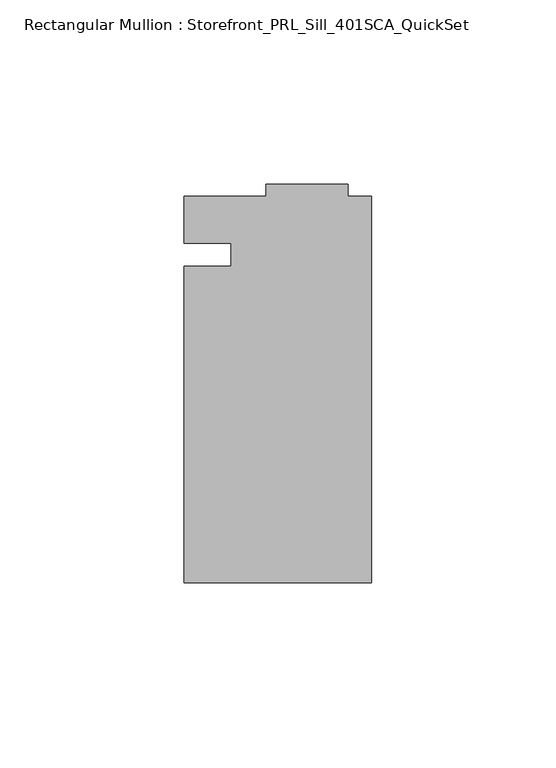
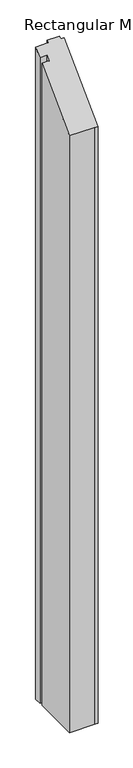
"""IFC4 building model written with IfcOpenShell, lengths in millimetres: member geometry, Rectangular Mullion : Storefront_PRL_Sill_401SCA_QuickSet."""

import ifcopenshell
import ifcopenshell.guid

model = None  # the IFC model being written
_history = None  # IfcOwnerHistory: only IFC2X3 demands one
_inside = {}  # id of a spatial element -> (the spatial element, [elements in it])
_under = {}  # id of a project, library or spatial element -> (it, [spatial elements below it])
_declared = {}  # id of a project -> (the project, [libraries it declares])
_typed = {}  # id of a type object -> (the type object, [elements of that type])
_made_of = {}  # id of a material, layer set ... -> (it, [elements and type objects made of it])


def new_model(schema):
    """Start an empty IFC model of exactly this schema.

    Asked for "IFC4X3", IfcOpenShell would pick the latest addendum, in which some entities
    have other attributes; the version numbers below select the first issue.
    IFC2X3 requires an IfcOwnerHistory on every rooted entity: one is made here for all.
    """
    global model, _history
    if schema == "IFC4X3":
        model = ifcopenshell.file(schema_version=(4, 3, 0, 0))
    else:
        model = ifcopenshell.file(schema=schema)
    _inside.clear()
    _under.clear()
    _declared.clear()
    _typed.clear()
    _made_of.clear()
    _history = None
    if model.schema == "IFC2X3":
        org = make("IfcOrganization", Name="unknown")
        user = make(
            "IfcPersonAndOrganization",
            ThePerson=make("IfcPerson", FamilyName="unknown"),
            TheOrganization=org,
        )
        app = make(
            "IfcApplication",
            ApplicationDeveloper=org,
            Version="unknown",
            ApplicationFullName="unknown",
            ApplicationIdentifier="unknown",
        )
        _history = make(
            "IfcOwnerHistory",
            OwningUser=user,
            OwningApplication=app,
            ChangeAction="ADDED",
            CreationDate=0,
        )
    return model


def make(cls, **values):
    """One entity of the class cls with the attributes given. An attribute that is None is left unset."""
    return model.create_entity(
        cls, **{name: value for name, value in values.items() if value is not None}
    )


def rooted(cls, **values):
    """An entity with a GlobalId (a new one), such as an element, a storey or a relation."""
    return make(cls, GlobalId=ifcopenshell.guid.new(), OwnerHistory=_history, **values)


def si_unit(unit_type, name, prefix=None):
    """IfcSIUnit, for example si_unit("LENGTHUNIT", "METRE", prefix="MILLI")."""
    return make("IfcSIUnit", UnitType=unit_type, Prefix=prefix, Name=name)


def assignment(units):
    """IfcUnitAssignment: the units of a project."""
    return None if units is None else make("IfcUnitAssignment", Units=units)


def point(xyz):
    """IfcCartesianPoint."""
    return None if xyz is None else make("IfcCartesianPoint", Coordinates=xyz)


def direction(xyz):
    """IfcDirection."""
    return None if xyz is None else make("IfcDirection", DirectionRatios=xyz)


def frame(location, z_axis=None, x_axis=None):
    """IfcAxis2Placement3D, a coordinate frame: its origin and axes. An axis left out is left unset."""
    return make(
        "IfcAxis2Placement3D",
        Location=point(location),
        Axis=direction(z_axis),
        RefDirection=direction(x_axis),
    )


def origin():
    """The frame at (0, 0, 0) with its axes left unset."""
    return frame((0.0, 0.0, 0.0))


def place(relative_to, where):
    """IfcLocalPlacement: puts the frame where relative to a parent placement (None: the world)."""
    return make(
        "IfcLocalPlacement", PlacementRelTo=relative_to, RelativePlacement=where
    )


def context(
    kind, dimensions, precision=None, world=None, true_north=None, identifier=None
):
    """IfcGeometricRepresentationContext, for example the 3D "Model" context."""
    return make(
        "IfcGeometricRepresentationContext",
        ContextIdentifier=identifier,
        ContextType=kind,
        CoordinateSpaceDimension=dimensions,
        Precision=precision,
        WorldCoordinateSystem=world,
        TrueNorth=true_north,
    )


def project(units=None, contexts=None):
    """IfcProject with its units and contexts."""
    return rooted(
        "IfcProject",
        Name="project",
        RepresentationContexts=contexts,
        UnitsInContext=assignment(units),
    )


def spatial(cls, under=None, at=None, **own):
    """A site, building, storey or space (cls), placed at a placement, below another one or the project."""
    s = rooted(cls, ObjectPlacement=at, **own)
    if under is not None:
        _under.setdefault(under.id(), (under, []))[1].append(s)
    return s


def faces_of(points, faces, orient=None, outer=None):
    """IfcFace entities. A face is a list of loops; a loop is a list of indices into points, from 0.

    orient and outer hold one flag for each loop. By default every Orientation is true, the
    first loop of a face is its IfcFaceOuterBound and the others are IfcFaceBound.
    """
    made = []
    for i, loops in enumerate(faces):
        bounds = []
        for j, loop in enumerate(loops):
            is_outer = j == 0 if outer is None else outer[i][j]
            bounds.append(
                make(
                    "IfcFaceOuterBound" if is_outer else "IfcFaceBound",
                    Bound=make("IfcPolyLoop", Polygon=[points[k] for k in loop]),
                    Orientation=True if orient is None else orient[i][j],
                )
            )
        made.append(make("IfcFace", Bounds=bounds))
    return made


def faceted_brep(points, faces, orient=None, outer=None, voids=None):
    """IfcFacetedBrep: a solid bounded by flat faces; with voids (closed shells), ...WithVoids."""
    shared = [point(p) for p in points]
    hull = make("IfcClosedShell", CfsFaces=faces_of(shared, faces, orient, outer))
    if voids is None:
        return make("IfcFacetedBrep", Outer=hull)
    return make(
        "IfcFacetedBrepWithVoids",
        Outer=hull,
        Voids=[
            make(cls, CfsFaces=faces_of(shared, fs, o, b)) for cls, fs, o, b in voids
        ],
    )


def shape(context_of_items, identifier, shape_type, items):
    """IfcShapeRepresentation: the items that make up one representation, for example the "Body"."""
    return make(
        "IfcShapeRepresentation",
        ContextOfItems=context_of_items,
        RepresentationIdentifier=identifier,
        RepresentationType=shape_type,
        Items=items,
    )


def source(mapping_origin, context_of_items, identifier, shape_type, items):
    """IfcRepresentationMap: a shape defined once, which mapped items show again and again."""
    return make(
        "IfcRepresentationMap",
        MappingOrigin=mapping_origin,
        MappedRepresentation=shape(context_of_items, identifier, shape_type, items),
    )


def transform(
    local_origin,
    x_axis=None,
    y_axis=None,
    z_axis=None,
    scale=None,
    scale2=None,
    scale3=None,
    uniform=True,
):
    """IfcCartesianTransformationOperator3D, or its non-uniform kind. x_axis, y_axis, z_axis: its Axis1, 2, 3."""
    if uniform:
        return make(
            "IfcCartesianTransformationOperator3D",
            Axis1=direction(x_axis),
            Axis2=direction(y_axis),
            LocalOrigin=point(local_origin),
            Scale=scale,
            Axis3=direction(z_axis),
        )
    return make(
        "IfcCartesianTransformationOperator3DnonUniform",
        Axis1=direction(x_axis),
        Axis2=direction(y_axis),
        LocalOrigin=point(local_origin),
        Scale=scale,
        Axis3=direction(z_axis),
        Scale2=scale2,
        Scale3=scale3,
    )


def mapped(mapping_source, mapping_target):
    """IfcMappedItem: shows the shape of a source again, moved by a transform."""
    return make(
        "IfcMappedItem", MappingSource=mapping_source, MappingTarget=mapping_target
    )


def made_of(thing, what):
    """Note that an element or type object is made of a material, layer set ...; save() writes the relation."""
    if what is not None:
        _made_of.setdefault(what.id(), (what, []))[1].append(thing)
    return thing


def element(
    cls,
    number,
    at=None,
    inside=None,
    cuts=None,
    type_object=None,
    material=None,
    context=None,
    identifier="Body",
    shape_type=None,
    held_by="IfcProductDefinitionShape",
    body=None,
    shapes=None,
    **own,
):
    """One element of the class cls, such as IfcWall. Its Tag is "e" and its number.

    at: its placement. inside: the storey or other place that contains it. cuts: it is an
    opening in that element (IfcRelVoidsElement). A single representation is given by context,
    identifier, shape_type and body (its items); several are given by shapes. held_by: the class
    of the entity that holds the representations. save() writes the other relations.
    """
    e = rooted(cls, Tag="e%d" % number, ObjectPlacement=at, **own)
    if body is not None:
        shapes = [shape(context, identifier, shape_type, body)]
    if shapes is not None:
        e.Representation = make(held_by, Representations=shapes)
    if inside is not None:
        _inside.setdefault(inside.id(), (inside, []))[1].append(e)
    if cuts is not None:
        rooted(
            "IfcRelVoidsElement", RelatingBuildingElement=cuts, RelatedOpeningElement=e
        )
    if type_object is not None:
        _typed.setdefault(type_object.id(), (type_object, []))[1].append(e)
    return made_of(e, material)


def aggregate(whole, parts):
    """IfcRelAggregates: a whole, such as a stair, and the parts it consists of."""
    return rooted("IfcRelAggregates", RelatingObject=whole, RelatedObjects=parts)


def save(model, path):
    """Write the relations noted so far, then the file.

    IfcRelAggregates (storeys below a building ...), IfcRelContainedInSpatialStructure (elements
    in a storey), IfcRelDefinesByType, IfcRelAssociatesMaterial and IfcRelDeclares: one each for
    every whole, place, type object, material and project.
    """
    for whole, parts in _under.values():
        aggregate(whole, parts)
    for where, things in _inside.values():
        rooted(
            "IfcRelContainedInSpatialStructure",
            RelatedElements=things,
            RelatingStructure=where,
        )
    for kind, things in _typed.values():
        rooted("IfcRelDefinesByType", RelatedObjects=things, RelatingType=kind)
    for what, things in _made_of.values():
        rooted("IfcRelAssociatesMaterial", RelatedObjects=things, RelatingMaterial=what)
    for by, libraries in _declared.values():
        rooted("IfcRelDeclares", RelatingContext=by, RelatedDefinitions=libraries)
    model.write(path)


def rectangular_mullion_storefront_prl_sill_401sca_quickset_f0004853(model_context):
    return source(origin(), model_context, "Body", "Brep", [
        faceted_brep([(-38.1, -3.175, -1219.2), (-38.1, 3.175, -1219.2), (-50.8, 3.175, -1219.2), (-50.8, 15.875, -1219.2), (-28.575, 15.875, -1219.2), (-28.575, 19.05, -1219.2), (-6.35, 19.05, -1219.2), (-6.35, 15.875, -1219.2), (0.0, 15.875, -1219.2), (0.0, -88.9, -1219.2), (-6.35, -88.9, -1219.2), (-50.8, -88.9, -1219.2), (-50.8, -3.175, -1219.2), (-50.8, -3.175, -3.175), (-38.1, -3.175, -3.175), (-50.8, -88.9, -88.9), (-6.35, -88.9, -88.9), (0.0, -88.9, -88.9), (0.0, 15.875, 15.875), (-6.35, 15.875, 15.875), (-6.35, 19.05, 19.05), (-28.575, 19.05, 19.05), (-28.575, 15.875, 15.875), (-50.8, 15.875, 15.875), (-50.8, 3.175, 3.175), (-38.1, 3.175, 3.175)], [[[0, 1, 2, 3, 4, 5, 6, 7, 8, 9, 10, 11, 12]], [[13, 14, 0, 12]], [[15, 13, 12, 11]], [[16, 15, 11, 10]], [[17, 16, 10, 9]], [[18, 17, 9, 8]], [[19, 18, 8, 7]], [[20, 19, 7, 6]], [[21, 20, 6, 5]], [[22, 21, 5, 4]], [[23, 22, 4, 3]], [[24, 23, 3, 2]], [[25, 24, 2, 1]], [[14, 25, 1, 0]], [[14, 13, 15, 16, 17, 18, 19, 20, 21, 22, 23, 24, 25]]]),
    ])


if __name__ == "__main__":
    model = new_model("IFC4")
    model_context = context("Model", 3, world=origin())
    ifc_project = project(units=[si_unit("LENGTHUNIT", "METRE", prefix="MILLI")], contexts=[model_context])
    site = spatial("IfcSite", under=ifc_project)
    building = spatial("IfcBuilding", under=site)
    placement = place(None, origin())
    rectangular_mullion_storefront_prl_sill_401sca_quickset_shape = rectangular_mullion_storefront_prl_sill_401sca_quickset_f0004853(model_context)
    element("IfcMember", 1, ObjectType="Rectangular Mullion : Storefront_PRL_Sill_401SCA_QuickSet", at=placement, inside=building, context=model_context, shape_type="MappedRepresentation", body=[
        mapped(rectangular_mullion_storefront_prl_sill_401sca_quickset_shape, transform((0.0, 0.0, 0.0), x_axis=(1.0, 0.0, 0.0), y_axis=(0.0, 1.0, 0.0), z_axis=(0.0, 0.0, 1.0))),
    ])
    save(model, "model.ifc")
